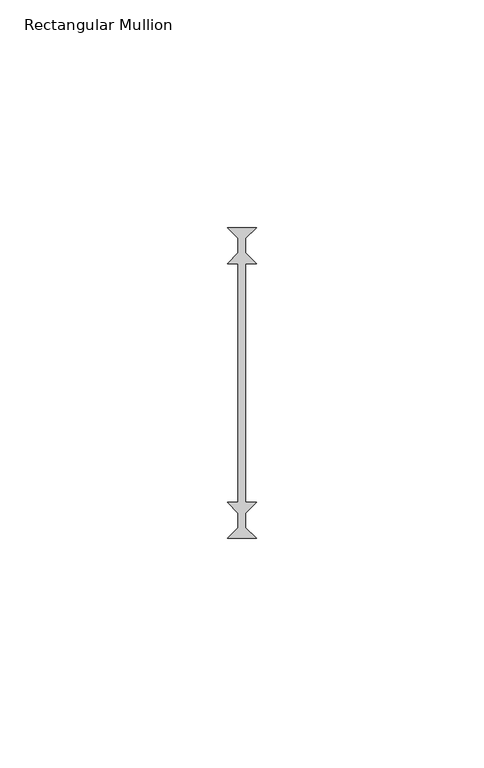
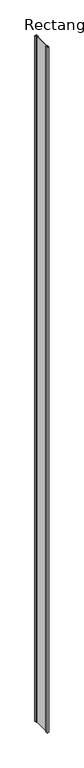
"""IFC4 building model written with IfcOpenShell, lengths in millimetres: member geometry, Rectangular Mullion."""

from ifc_helpers import new_model, si_unit, frame, origin, place, context, project, spatial, polyline, outline, extrude, source, transform, mapped, element, save


def rectangular_mullion_c0ba048d(model_context):
    return source(origin(), model_context, "Body", "SweptSolid", [
        extrude(outline(polyline([(3.175, -34.13125), (-3.175, -34.13125), (-0.79375, -31.75), (-0.79375, -28.575), (-3.175, -26.19375), (-0.79375, -26.19375), (-0.79375, 26.19375), (-3.175, 26.19375), (-0.79375, 28.575), (-0.79375, 31.75), (-3.175, 34.13125), (3.175, 34.13125), (0.79375, 31.75), (0.79375, 28.575), (3.175, 26.19375), (0.79375, 26.19375), (0.79375, -26.19375), (3.175, -26.19375), (0.79375, -28.575), (0.79375, -31.75), (3.175, -34.13125)])), frame((0.0, 0.0, -2359.025), z_axis=(0.0, 0.0, 1.0), x_axis=(1.0, 0.0, 0.0)), (0.0, 0.0, 1.0), 2359.025),
    ])


if __name__ == "__main__":
    model = new_model("IFC4")
    model_context = context("Model", 3, world=origin())
    ifc_project = project(units=[si_unit("LENGTHUNIT", "METRE", prefix="MILLI")], contexts=[model_context])
    site = spatial("IfcSite", under=ifc_project)
    building = spatial("IfcBuilding", under=site)
    placement = place(None, origin())
    rectangular_mullion_shape = rectangular_mullion_c0ba048d(model_context)
    element("IfcMember", 1, ObjectType="Rectangular Mullion", at=placement, inside=building, context=model_context, shape_type="MappedRepresentation", body=[
        mapped(rectangular_mullion_shape, transform((0.0, 0.0, 0.0), x_axis=(1.0, 0.0, 0.0), y_axis=(0.0, 1.0, 0.0), z_axis=(0.0, 0.0, 1.0))),
    ])
    save(model, "model.ifc")
